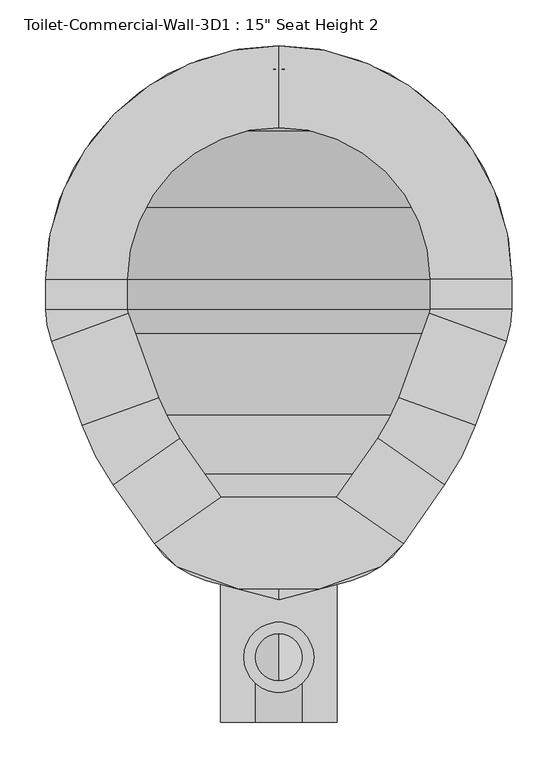
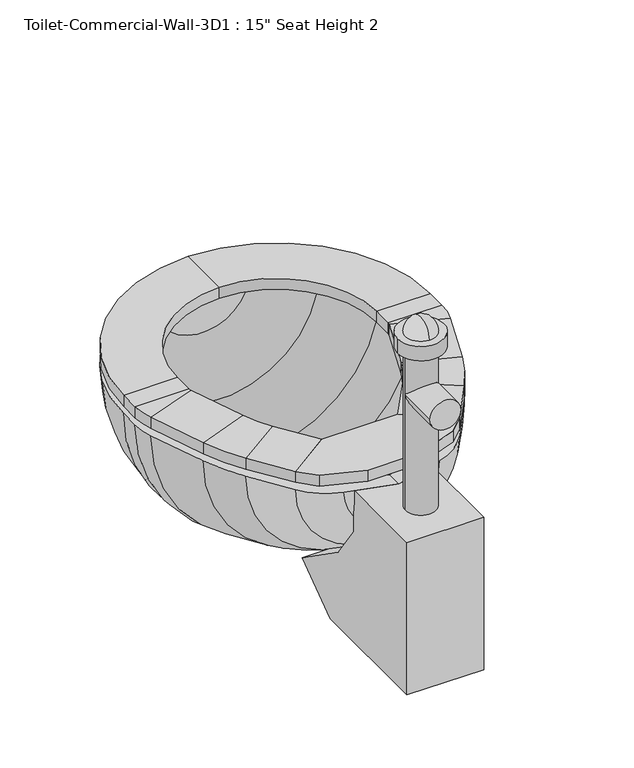
"""IFC4 building model written with IfcOpenShell, lengths in millimetres: flow terminal geometry."""

from ifc_helpers import new_model, si_unit, point, frame, frame_2d, origin, place, context, project, spatial, polyline, circle_curve, ellipse_curve, trimmed, segment, composite_curve, outline, extrude, source, transform, mapped, element, save
from ifc_brep_helpers import plane_surface, cylinder_surface, revolved_surface, advanced_brep


def flow_terminal_c3fc1cf2(model_context):
    return source(origin(), model_context, "Body", "SolidModel", [
        extrude(outline(polyline([(467.7541169, 416.4847495), (540.5767337, 365.4938043), (515.6262519, 340.5433226), (449.563909, 316.4985961), (360.2423986, 316.4985961), (294.1800557, 340.5433226), (269.229574, 365.4938043), (342.0521907, 416.4847495), (467.7541169, 416.4847495)])), frame((0.0, 0.0, 355.6), z_axis=(0.0, 0.0, 1.0), x_axis=(1.0, 0.0, 0.0)), (0.0, 0.0, 1.0), 19.05),
        advanced_brep(
        [(467.7541169, 416.4847495, 355.6), (540.5767337, 365.4938043, 355.6), (540.5767337, 365.4938043, 374.65), (467.7541169, 416.4847495, 374.65), (512.8583992, 480.9003403, 355.6), (585.6810159, 429.9093951, 355.6), (585.6810159, 429.9093951, 374.65), (512.8583992, 480.9003403, 374.65), (619.360053, 494.6062234, 355.6), (535.821379, 525.0118141, 355.6), (619.360053, 494.6062234, 374.65), (535.821379, 525.0118141, 374.65), (569.2372501, 616.8211654, 355.6), (652.7759241, 586.4155747, 355.6), (652.7759241, 586.4155747, 374.65), (569.2372501, 616.8211654, 374.65), (658.9031538, 621.1648212, 355.6), (570.0031538, 621.1648212, 355.6), (658.9031538, 621.1648212, 374.65), (570.0031538, 621.1648212, 374.65), (570.0031538, 654.05, 355.6), (658.9031538, 654.05, 355.6), (658.9031538, 654.05, 374.65), (570.0031538, 654.05, 374.65), (404.9031538, 908.05, 355.6), (404.9031538, 819.15, 355.6), (404.9031538, 908.05, 374.65), (404.9031538, 819.15, 374.65), (150.9031538, 654.05, 355.6), (239.8031538, 654.05, 355.6), (150.9031538, 654.05, 374.65), (239.8031538, 654.05, 374.65), (239.8031538, 621.1648212, 355.6), (150.9031538, 621.1648212, 355.6), (150.9031538, 621.1648212, 374.65), (239.8031538, 621.1648212, 374.65), (157.0303835, 586.4155747, 355.6), (240.5690575, 616.8211654, 355.6), (157.0303835, 586.4155747, 374.65), (240.5690575, 616.8211654, 374.65), (273.9849286, 525.0118141, 355.6), (190.4462546, 494.6062234, 355.6), (190.4462546, 494.6062234, 374.65), (273.9849286, 525.0118141, 374.65), (224.1252917, 429.9093951, 355.6), (296.9479084, 480.9003403, 355.6), (224.1252917, 429.9093951, 374.65), (296.9479084, 480.9003403, 374.65), (342.0521907, 416.4847495, 355.6), (342.0521907, 416.4847495, 374.65), (269.229574, 365.4938043, 374.65), (269.229574, 365.4938043, 355.6)],
        [
            (0, 1),
            (1, 2),
            (2, 3),
            (3, 0),
            (0, 4),
            (4, 5),
            (5, 1),
            (5, 6),
            (6, 2),
            (6, 7),
            (7, 3),
            (7, 4),
            (8, 5, circle_curve(frame((356.8099347, 590.1666514, 355.6), z_axis=(0.0, 0.0, -1.0), x_axis=(0.81915204428899, -0.5735764363510486, 0.0)), 279.4)),
            (4, 9, circle_curve(frame((356.8099347, 590.1666514, 355.6), z_axis=(0.0, 0.0, 1.0), x_axis=(0.81915204428899, -0.5735764363510486, 0.0)), 190.5)),
            (9, 8),
            (10, 6, circle_curve(frame((356.8099347, 590.1666514, 374.65), z_axis=(0.0, 0.0, -1.0), x_axis=(0.81915204428899, -0.5735764363510486, 0.0)), 279.4)),
            (8, 10),
            (11, 7, circle_curve(frame((356.8099347, 590.1666514, 374.65), z_axis=(0.0, 0.0, -1.0), x_axis=(0.81915204428899, -0.5735764363510486, 0.0)), 190.5)),
            (10, 11),
            (11, 9),
            (9, 12),
            (12, 13),
            (13, 8),
            (13, 14),
            (14, 10),
            (14, 15),
            (15, 11),
            (15, 12),
            (16, 13, circle_curve(frame((557.3031538, 621.1648212, 355.6), z_axis=(0.0, 0.0, -1.0), x_axis=(0.9396926207859057, -0.3420201433256761, 0.0)), 101.6)),
            (12, 17, circle_curve(frame((557.3031538, 621.1648212, 355.6), z_axis=(0.0, 0.0, 1.0), x_axis=(0.9396926207859057, -0.3420201433256761, 0.0)), 12.7)),
            (17, 16),
            (18, 14, circle_curve(frame((557.3031538, 621.1648212, 374.65), z_axis=(0.0, 0.0, -1.0), x_axis=(0.9396926207859057, -0.3420201433256761, 0.0)), 101.6)),
            (16, 18),
            (19, 15, circle_curve(frame((557.3031538, 621.1648212, 374.65), z_axis=(0.0, 0.0, -1.0), x_axis=(0.9396926207859057, -0.3420201433256761, 0.0)), 12.7)),
            (18, 19),
            (19, 17),
            (17, 20),
            (20, 21),
            (21, 16),
            (21, 22),
            (22, 18),
            (22, 23),
            (23, 19),
            (23, 20),
            (24, 21, circle_curve(frame((404.9031538, 654.05, 355.6), z_axis=(0.0, 0.0, -1.0), x_axis=(1.0, 0.0, 0.0)), 254.0)),
            (20, 25, circle_curve(frame((404.9031538, 654.05, 355.6), z_axis=(0.0, 0.0, 1.0), x_axis=(1.0, 0.0, 0.0)), 165.1)),
            (25, 24),
            (26, 22, circle_curve(frame((404.9031538, 654.05, 374.65), z_axis=(0.0, 0.0, -1.0), x_axis=(1.0, 0.0, 0.0)), 254.0)),
            (24, 26),
            (27, 23, circle_curve(frame((404.9031538, 654.05, 374.65), z_axis=(0.0, 0.0, -1.0), x_axis=(1.0, 0.0, 0.0)), 165.1)),
            (26, 27),
            (27, 25),
            (28, 24, circle_curve(frame((404.9031538, 654.05, 355.6), z_axis=(0.0, 0.0, -1.0), x_axis=(0.0, 1.0, 0.0)), 254.0)),
            (25, 29, circle_curve(frame((404.9031538, 654.05, 355.6), z_axis=(0.0, 0.0, 1.0), x_axis=(0.0, 1.0, 0.0)), 165.1)),
            (29, 28),
            (30, 26, circle_curve(frame((404.9031538, 654.05, 374.65), z_axis=(0.0, 0.0, -1.0), x_axis=(0.0, 1.0, 0.0)), 254.0)),
            (28, 30),
            (31, 27, circle_curve(frame((404.9031538, 654.05, 374.65), z_axis=(0.0, 0.0, -1.0), x_axis=(0.0, 1.0, 0.0)), 165.1)),
            (30, 31),
            (31, 29),
            (29, 32),
            (32, 33),
            (33, 28),
            (33, 34),
            (34, 30),
            (34, 35),
            (35, 31),
            (35, 32),
            (36, 33, circle_curve(frame((252.5031538, 621.1648212, 355.6), z_axis=(0.0, 0.0, -1.0), x_axis=(-1.0, 0.0, 0.0)), 101.6)),
            (32, 37, circle_curve(frame((252.5031538, 621.1648212, 355.6), z_axis=(0.0, 0.0, 1.0), x_axis=(-1.0, 0.0, 0.0)), 12.7)),
            (37, 36),
            (38, 34, circle_curve(frame((252.5031538, 621.1648212, 374.65), z_axis=(0.0, 0.0, -1.0), x_axis=(-1.0, 0.0, 0.0)), 101.6)),
            (36, 38),
            (39, 35, circle_curve(frame((252.5031538, 621.1648212, 374.65), z_axis=(0.0, 0.0, -1.0), x_axis=(-1.0, 0.0, 0.0)), 12.7)),
            (38, 39),
            (39, 37),
            (37, 40),
            (40, 41),
            (41, 36),
            (41, 42),
            (42, 38),
            (42, 43),
            (43, 39),
            (43, 40),
            (44, 41, circle_curve(frame((452.9963729, 590.1666514, 355.6), z_axis=(0.0, 0.0, -1.0), x_axis=(-0.939692620785909, -0.3420201433256672, 0.0)), 279.4)),
            (40, 45, circle_curve(frame((452.9963729, 590.1666514, 355.6), z_axis=(0.0, 0.0, 1.0), x_axis=(-0.939692620785909, -0.3420201433256672, 0.0)), 190.5)),
            (45, 44),
            (46, 42, circle_curve(frame((452.9963729, 590.1666514, 374.65), z_axis=(0.0, 0.0, -1.0), x_axis=(-0.939692620785909, -0.3420201433256672, 0.0)), 279.4)),
            (44, 46),
            (47, 43, circle_curve(frame((452.9963729, 590.1666514, 374.65), z_axis=(0.0, 0.0, -1.0), x_axis=(-0.939692620785909, -0.3420201433256672, 0.0)), 190.5)),
            (46, 47),
            (47, 45),
            (48, 49),
            (49, 50),
            (50, 51),
            (51, 48),
            (45, 48),
            (51, 44),
            (50, 46),
            (49, 47),
        ],
        [
            plane_surface(frame((540.5767337, 365.4938043, 437.2995365), z_axis=(-0.5735764363510436, -0.8191520442889937, 0.0), x_axis=(0.8191520442889937, -0.5735764363510436, 0.0))),
            plane_surface(frame((467.7541169, 416.4847495, 355.6), z_axis=(0.0, 0.0, -1.0), x_axis=(0.5735764363510443, 0.8191520442889931, 0.0))),
            plane_surface(frame((540.5767337, 365.4938043, 355.6), z_axis=(0.8191520442889935, -0.5735764363510438, 0.0), x_axis=(0.5735764363510438, 0.8191520442889935, 0.0))),
            plane_surface(frame((540.5767337, 365.4938043, 374.65), z_axis=(0.0, 0.0, 1.0), x_axis=(0.5735764363510428, 0.8191520442889941, 0.0))),
            plane_surface(frame((467.7541169, 416.4847495, 374.65), z_axis=(-0.8191520442889935, 0.5735764363510438, 0.0), x_axis=(0.5735764363510438, 0.8191520442889935, 0.0))),
            plane_surface(frame((356.8099347, 590.1666514, 355.6), z_axis=(0.0, 0.0, -1.0), x_axis=(0.81915204428899, -0.5735764363510486, 0.0))),
            cylinder_surface(frame((356.8099347, 590.1666514, 342.9), z_axis=(0.0, 0.0, 1.0), x_axis=(0.81915204428899, -0.5735764363510486, 0.0)), 279.4),
            plane_surface(frame((356.8099347, 590.1666514, 374.65), z_axis=(0.0, 0.0, 1.0), x_axis=(0.81915204428899, -0.5735764363510486, 0.0))),
            revolved_surface(polyline([(512.8583991370526, 480.90034027512525, 374.65), (512.8583991370526, 480.90034027512525, 355.6)]), (356.8099347, 590.1666514, 342.9), (0.0, 0.0, 1.0)),
            plane_surface(frame((535.821379, 525.0118141, 355.6), z_axis=(0.0, 0.0, -1.0000000000000002), x_axis=(0.34202014332565994, 0.9396926207859116, 0.0))),
            plane_surface(frame((619.360053, 494.6062234, 355.6), z_axis=(0.9396926207859115, -0.34202014332566016, 0.0), x_axis=(0.34202014332566016, 0.9396926207859115, 0.0))),
            plane_surface(frame((619.360053, 494.6062234, 374.65), z_axis=(0.0, 0.0, 1.0), x_axis=(0.34202014332566016, 0.9396926207859115, 0.0))),
            plane_surface(frame((535.821379, 525.0118141, 374.65), z_axis=(-0.9396926207859118, 0.34202014332565955, 0.0), x_axis=(0.34202014332565955, 0.9396926207859118, 0.0))),
            plane_surface(frame((557.3031538, 621.1648212, 355.6), z_axis=(0.0, 0.0, -1.0000000000000002), x_axis=(0.9396926207859058, -0.34202014332567615, 0.0))),
            cylinder_surface(frame((557.3031538, 621.1648212, 342.9), z_axis=(0.0, 0.0, 1.0), x_axis=(0.9396926207859057, -0.3420201433256761, 0.0)), 101.6),
            plane_surface(frame((557.3031538, 621.1648212, 374.65), z_axis=(0.0, 0.0, 1.0000000000000002), x_axis=(0.9396926207859058, -0.34202014332567615, 0.0))),
            revolved_surface(polyline([(569.237250083981, 616.8211653797639, 374.65), (569.237250083981, 616.8211653797639, 355.6)]), (557.3031538, 621.1648212, 342.9), (0.0, 0.0, 1.0)),
            plane_surface(frame((570.0031538, 621.1648212, 355.6), z_axis=(0.0, 0.0, -1.0), x_axis=(0.0, 1.0, 0.0))),
            plane_surface(frame((658.9031538, 621.1648212, 355.6), z_axis=(1.0, 0.0, 0.0), x_axis=(0.0, 1.0, 0.0))),
            plane_surface(frame((658.9031538, 621.1648212, 374.65), z_axis=(0.0, 0.0, 1.0), x_axis=(0.0, 1.0, 0.0))),
            plane_surface(frame((570.0031538, 621.1648212, 374.65), z_axis=(-1.0, 0.0, 0.0), x_axis=(0.0, 1.0, 0.0))),
            plane_surface(frame((404.9031538, 654.05, 355.6), z_axis=(0.0, 0.0, -1.0), x_axis=(1.0, 0.0, 0.0))),
            cylinder_surface(frame((404.9031538, 654.05, 342.9), z_axis=(0.0, 0.0, 1.0), x_axis=(1.0, 0.0, 0.0)), 254.0),
            plane_surface(frame((404.9031538, 654.05, 374.65), z_axis=(0.0, 0.0, 1.0), x_axis=(1.0, 0.0, 0.0))),
            revolved_surface(polyline([(570.0031538, 654.05, 374.65), (570.0031538, 654.05, 355.6)]), (404.9031538, 654.05, 342.9), (0.0, 0.0, 1.0)),
            plane_surface(frame((404.9031538, 654.05, 355.6), z_axis=(0.0, 0.0, -1.0), x_axis=(0.0, 1.0, 0.0))),
            cylinder_surface(frame((404.9031538, 654.05, 342.9), z_axis=(0.0, 0.0, 1.0), x_axis=(0.0, 1.0, 0.0)), 254.0),
            plane_surface(frame((404.9031538, 654.05, 374.65), z_axis=(0.0, 0.0, 1.0), x_axis=(0.0, 1.0, 0.0))),
            revolved_surface(polyline([(404.9031538, 819.15, 374.65), (404.9031538, 819.15, 355.6)]), (404.9031538, 654.05, 342.9), (0.0, 0.0, 1.0)),
            plane_surface(frame((239.8031538, 654.05, 355.6), z_axis=(0.0, 0.0, -1.0), x_axis=(0.0, -1.0, 0.0))),
            plane_surface(frame((150.9031538, 654.05, 355.6), z_axis=(-1.0, 0.0, 0.0), x_axis=(0.0, -1.0, 0.0))),
            plane_surface(frame((150.9031538, 654.05, 374.65), z_axis=(0.0, 0.0, 1.0), x_axis=(0.0, -1.0, 0.0))),
            plane_surface(frame((239.8031538, 654.05, 374.65), z_axis=(1.0, 0.0, 0.0), x_axis=(0.0, -1.0, 0.0))),
            plane_surface(frame((252.5031538, 621.1648212, 355.6), z_axis=(0.0, 0.0, -1.0), x_axis=(-1.0, 0.0, 0.0))),
            cylinder_surface(frame((252.5031538, 621.1648212, 342.9), z_axis=(0.0, 0.0, 1.0), x_axis=(-1.0, 0.0, 0.0)), 101.6),
            plane_surface(frame((252.5031538, 621.1648212, 374.65), z_axis=(0.0, 0.0, 1.0), x_axis=(-1.0, 0.0, 0.0))),
            revolved_surface(polyline([(239.80315380000002, 621.1648212, 374.65), (239.80315380000002, 621.1648212, 355.6)]), (252.5031538, 621.1648212, 342.9), (0.0, 0.0, 1.0)),
            plane_surface(frame((240.5690575, 616.8211654, 355.6), z_axis=(0.0, 0.0, -1.0), x_axis=(0.342020143325658, -0.9396926207859123, 0.0))),
            plane_surface(frame((157.0303835, 586.4155747, 355.6), z_axis=(-0.9396926207859123, -0.3420201433256579, 0.0), x_axis=(0.3420201433256579, -0.9396926207859123, 0.0))),
            plane_surface(frame((157.0303835, 586.4155747, 374.65), z_axis=(0.0, 0.0, 1.0), x_axis=(0.3420201433256579, -0.9396926207859123, 0.0))),
            plane_surface(frame((240.5690575, 616.8211654, 374.65), z_axis=(0.9396926207859123, 0.342020143325658, 0.0), x_axis=(0.342020143325658, -0.9396926207859123, 0.0))),
            plane_surface(frame((452.9963729, 590.1666514, 355.6), z_axis=(0.0, 0.0, -1.0), x_axis=(-0.939692620785909, -0.3420201433256672, 0.0))),
            cylinder_surface(frame((452.9963729, 590.1666514, 342.9), z_axis=(0.0, 0.0, 1.0), x_axis=(-0.939692620785909, -0.3420201433256672, 0.0)), 279.4),
            plane_surface(frame((452.9963729, 590.1666514, 374.65), z_axis=(0.0, 0.0, 1.0), x_axis=(-0.939692620785909, -0.3420201433256672, 0.0))),
            revolved_surface(polyline([(273.98492864028435, 525.0118140964604, 374.65), (273.98492864028435, 525.0118140964604, 355.6)]), (452.9963729, 590.1666514, 342.9), (0.0, 0.0, 1.0)),
            plane_surface(frame((269.229574, 365.4938043, 248.5004635), z_axis=(0.5735764363510469, -0.8191520442889914, 0.0), x_axis=(0.8191520442889914, 0.5735764363510469, 0.0))),
            plane_surface(frame((296.9479084, 480.9003403, 355.6), z_axis=(0.0, 0.0, -1.0), x_axis=(0.5735764363510468, -0.8191520442889914, 0.0))),
            plane_surface(frame((224.1252917, 429.9093951, 355.6), z_axis=(-0.8191520442889909, -0.5735764363510474, 0.0), x_axis=(0.5735764363510474, -0.8191520442889909, 0.0))),
            plane_surface(frame((224.1252917, 429.9093951, 374.65), z_axis=(0.0, 0.0, 1.0000000000000002), x_axis=(0.5735764363510467, -0.8191520442889915, 0.0))),
            plane_surface(frame((296.9479084, 480.9003403, 374.65), z_axis=(0.8191520442889916, 0.5735764363510465, 0.0), x_axis=(0.5735764363510465, -0.8191520442889916, 0.0))),
        ],
        [
            (0, [[1, 2, 3, 4]]),
            (1, [[-1, 5, 6, 7]]),
            (2, [[-2, -7, 8, 9]]),
            (3, [[-3, -9, 10, 11]]),
            (4, [[-4, -11, 12, -5]]),
            (5, [[13, -6, 14, 15]]),
            (6, [[16, -8, -13, 17]]),
            (7, [[18, -10, -16, 19]]),
            (8, [[-14, -12, -18, 20]]),
            (9, [[-15, 21, 22, 23]]),
            (10, [[-17, -23, 24, 25]]),
            (11, [[-19, -25, 26, 27]]),
            (12, [[-20, -27, 28, -21]]),
            (13, [[29, -22, 30, 31]]),
            (14, [[32, -24, -29, 33]]),
            (15, [[34, -26, -32, 35]]),
            (16, [[-30, -28, -34, 36]]),
            (17, [[-31, 37, 38, 39]]),
            (18, [[-33, -39, 40, 41]]),
            (19, [[-35, -41, 42, 43]]),
            (20, [[-36, -43, 44, -37]]),
            (21, [[45, -38, 46, 47]]),
            (22, [[48, -40, -45, 49]]),
            (23, [[50, -42, -48, 51]]),
            (24, [[-46, -44, -50, 52]]),
            (25, [[53, -47, 54, 55]]),
            (26, [[56, -49, -53, 57]]),
            (27, [[58, -51, -56, 59]]),
            (28, [[-54, -52, -58, 60]]),
            (29, [[-55, 61, 62, 63]]),
            (30, [[-57, -63, 64, 65]]),
            (31, [[-59, -65, 66, 67]]),
            (32, [[-60, -67, 68, -61]]),
            (33, [[69, -62, 70, 71]]),
            (34, [[72, -64, -69, 73]]),
            (35, [[74, -66, -72, 75]]),
            (36, [[-70, -68, -74, 76]]),
            (37, [[-71, 77, 78, 79]]),
            (38, [[-73, -79, 80, 81]]),
            (39, [[-75, -81, 82, 83]]),
            (40, [[-76, -83, 84, -77]]),
            (41, [[85, -78, 86, 87]]),
            (42, [[88, -80, -85, 89]]),
            (43, [[90, -82, -88, 91]]),
            (44, [[-86, -84, -90, 92]]),
            (45, [[93, 94, 95, 96]]),
            (46, [[-87, 97, -96, 98]]),
            (47, [[-89, -98, -95, 99]]),
            (48, [[-91, -99, -94, 100]]),
            (49, [[-92, -100, -93, -97]]),
        ],
    ),
        advanced_brep(
        [(491.7762702, 892.7319257, 342.9), (404.9031538, 908.05, 342.9), (404.9031538, 882.65, 342.9), (483.0889586, 868.8637331, 342.9), (566.547764, 815.6946102, 342.9), (619.7168869, 732.2358048, 342.9), (633.5031538, 654.05, 342.9), (633.5031538, 621.1648212, 342.9), (628.9077315, 595.1028863, 342.9), (596.6355667, 506.4358422, 342.9), (562.9565296, 441.7390139, 342.9), (525.0728964, 387.6355786, 342.9), (468.1430637, 347.7728806, 342.9), (404.9031538, 330.8277978, 342.9), (404.9031538, 304.5317829, 342.9), (483.6469009, 325.6311063, 342.9), (540.5767337, 365.4938043, 342.9), (585.6810159, 429.9093951, 342.9), (619.360053, 494.6062234, 342.9), (652.7759241, 586.4155747, 342.9), (658.9031538, 621.1648212, 342.9), (658.9031538, 654.05, 342.9), (643.5850795, 740.9231164, 342.9), (584.5082762, 833.6551224, 342.9), (318.0300374, 892.7319257, 342.9), (225.2980314, 833.6551224, 342.9), (166.2212281, 740.9231164, 342.9), (150.9031538, 654.05, 342.9), (150.9031538, 621.1648212, 342.9), (157.0303835, 586.4155747, 342.9), (190.4462546, 494.6062234, 342.9), (224.1252917, 429.9093951, 342.9), (269.229574, 365.4938043, 342.9), (326.1594067, 325.6311063, 342.9), (341.663244, 347.7728806, 342.9), (284.7334112, 387.6355786, 342.9), (246.849778, 441.7390139, 342.9), (213.1707409, 506.4358422, 342.9), (180.8985761, 595.1028863, 342.9), (176.3031538, 621.1648212, 342.9), (176.3031538, 654.05, 342.9), (190.0894207, 732.2358048, 342.9), (243.2585436, 815.6946102, 342.9), (326.7173491, 868.8637331, 342.9)],
        [
            (0, 1, circle_curve(frame((404.9031538, 654.05, 342.9), z_axis=(0.0, 0.0, 1.0), x_axis=(1.0, 0.0, 0.0)), 254.0)),
            (1, 2),
            (2, 3, circle_curve(frame((404.9031538, 654.05, 342.9), z_axis=(0.0, 0.0, -1.0), x_axis=(1.0, 0.0, 0.0)), 228.6)),
            (3, 4, circle_curve(frame((404.9031538, 654.05, 342.9), z_axis=(0.0, 0.0, -1.0), x_axis=(1.0, 0.0, 0.0)), 228.6)),
            (4, 5, circle_curve(frame((404.9031538, 654.05, 342.9), z_axis=(0.0, 0.0, -1.0), x_axis=(1.0, 0.0, 0.0)), 228.6)),
            (5, 6, circle_curve(frame((404.9031538, 654.05, 342.9), z_axis=(0.0, 0.0, -1.0), x_axis=(1.0, 0.0, 0.0)), 228.6)),
            (6, 7),
            (7, 8, circle_curve(frame((557.3031538, 621.1648212, 342.9), z_axis=(0.0, 0.0, -1.0), x_axis=(1.0, 0.0, 0.0)), 76.2)),
            (8, 9),
            (9, 10, circle_curve(frame((334.0854485, 601.9962703, 342.9), z_axis=(0.0, 0.0, -1.0), x_axis=(1.0, 0.0, 0.0)), 279.4)),
            (10, 11),
            (11, 12, circle_curve(frame((441.8470487, 445.9109446, 342.9), z_axis=(0.0, 0.0, -1.0), x_axis=(1.0, 0.0, 0.0)), 101.6)),
            (12, 13),
            (13, 14),
            (14, 15),
            (15, 16, circle_curve(frame((457.350886, 423.7691703, 342.9), z_axis=(0.0, 0.0, 1.0), x_axis=(1.0, 0.0, 0.0)), 101.6)),
            (16, 17),
            (17, 18, circle_curve(frame((356.8099347, 590.1666514, 342.9), z_axis=(0.0, 0.0, 1.0), x_axis=(1.0, 0.0, 0.0)), 279.4)),
            (18, 19),
            (19, 20, circle_curve(frame((557.3031538, 621.1648212, 342.9), z_axis=(0.0, 0.0, 1.0), x_axis=(1.0, 0.0, 0.0)), 101.6)),
            (20, 21),
            (21, 22, circle_curve(frame((404.9031538, 654.05, 342.9), z_axis=(0.0, 0.0, 1.0), x_axis=(1.0, 0.0, 0.0)), 254.0)),
            (22, 23, circle_curve(frame((404.9031538, 654.05, 342.9), z_axis=(0.0, 0.0, 1.0), x_axis=(1.0, 0.0, 0.0)), 254.0)),
            (23, 0, circle_curve(frame((404.9031538, 654.05, 342.9), z_axis=(0.0, 0.0, 1.0), x_axis=(1.0, 0.0, 0.0)), 254.0)),
            (24, 25, circle_curve(frame((404.9031538, 654.05, 342.9), z_axis=(0.0, 0.0, 1.0), x_axis=(-1.0, 0.0, 0.0)), 254.0)),
            (25, 26, circle_curve(frame((404.9031538, 654.05, 342.9), z_axis=(0.0, 0.0, 1.0), x_axis=(-1.0, 0.0, 0.0)), 254.0)),
            (26, 27, circle_curve(frame((404.9031538, 654.05, 342.9), z_axis=(0.0, 0.0, 1.0), x_axis=(-1.0, 0.0, 0.0)), 254.0)),
            (27, 28),
            (28, 29, circle_curve(frame((252.5031538, 621.1648212, 342.9), z_axis=(0.0, 0.0, 1.0), x_axis=(-1.0, 0.0, 0.0)), 101.6)),
            (29, 30),
            (30, 31, circle_curve(frame((452.9963729, 590.1666514, 342.9), z_axis=(0.0, 0.0, 1.0), x_axis=(-1.0, 0.0, 0.0)), 279.4)),
            (31, 32),
            (32, 33, circle_curve(frame((352.4554217, 423.7691703, 342.9), z_axis=(0.0, 0.0, 1.0), x_axis=(-1.0, 0.0, 0.0)), 101.6)),
            (33, 14),
            (13, 34),
            (34, 35, circle_curve(frame((367.9592589, 445.9109446, 342.9), z_axis=(0.0, 0.0, -1.0), x_axis=(-1.0, 0.0, 0.0)), 101.6)),
            (35, 36),
            (36, 37, circle_curve(frame((475.7208592, 601.9962703, 342.9), z_axis=(0.0, 0.0, -1.0), x_axis=(-1.0, 0.0, 0.0)), 279.4)),
            (37, 38),
            (38, 39, circle_curve(frame((252.5031538, 621.1648212, 342.9), z_axis=(0.0, 0.0, -1.0), x_axis=(-1.0, 0.0, 0.0)), 76.2)),
            (39, 40),
            (40, 41, circle_curve(frame((404.9031538, 654.05, 342.9), z_axis=(0.0, 0.0, -1.0), x_axis=(-1.0, 0.0, 0.0)), 228.6)),
            (41, 42, circle_curve(frame((404.9031538, 654.05, 342.9), z_axis=(0.0, 0.0, -1.0), x_axis=(-1.0, 0.0, 0.0)), 228.6)),
            (42, 43, circle_curve(frame((404.9031538, 654.05, 342.9), z_axis=(0.0, 0.0, -1.0), x_axis=(-1.0, 0.0, 0.0)), 228.6)),
            (43, 2, circle_curve(frame((404.9031538, 654.05, 342.9), z_axis=(0.0, 0.0, -1.0), x_axis=(-1.0, 0.0, 0.0)), 228.6)),
            (1, 24, circle_curve(frame((404.9031538, 654.05, 342.9), z_axis=(0.0, 0.0, 1.0), x_axis=(-1.0, 0.0, 0.0)), 254.0)),
            (0, 24, circle_curve(frame((404.9031538, 892.7319257, 342.9), z_axis=(0.0, 1.0, 0.0), x_axis=(1.0, 0.0, 0.0)), 86.8731164)),
            (43, 3, circle_curve(frame((404.9031538, 868.8637331, 342.9), z_axis=(0.0, -1.0, 0.0), x_axis=(1.0, 0.0, 0.0)), 78.1858048)),
            (42, 4, circle_curve(frame((404.9031538, 815.6946102, 342.9), z_axis=(0.0, -1.0, 0.0), x_axis=(1.0, 0.0, 0.0)), 161.6446102)),
            (41, 5, circle_curve(frame((404.9031538, 732.2358048, 342.9), z_axis=(0.0, -1.0, 0.0), x_axis=(1.0, 0.0, 0.0)), 214.8137331)),
            (40, 6, circle_curve(frame((404.9031538, 654.05, 342.9), z_axis=(0.0, -1.0, 0.0), x_axis=(1.0, 0.0, 0.0)), 228.6)),
            (39, 7, circle_curve(frame((404.9031538, 621.1648212, 342.9), z_axis=(0.0, -1.0, 0.0), x_axis=(1.0, 0.0, 0.0)), 228.6)),
            (38, 8, circle_curve(frame((404.9031538, 595.1028863, 342.9), z_axis=(0.0, -1.0, 0.0), x_axis=(1.0, 0.0, 0.0)), 224.0045777)),
            (37, 9, circle_curve(frame((404.9031538, 506.4358422, 342.9), z_axis=(0.0, -1.0, 0.0), x_axis=(1.0, 0.0, 0.0)), 191.7324129)),
            (36, 10, circle_curve(frame((404.9031538, 441.7390139, 342.9), z_axis=(0.0, -1.0, 0.0), x_axis=(1.0, 0.0, 0.0)), 158.0533758)),
            (35, 11, circle_curve(frame((404.9031538, 387.6355786, 342.9), z_axis=(0.0, -1.0, 0.0), x_axis=(1.0, 0.0, 0.0)), 120.1697426)),
            (34, 12, circle_curve(frame((404.9031538, 347.7728806, 342.9), z_axis=(0.0, -1.0, 0.0), x_axis=(1.0, 0.0, 0.0)), 63.2399099)),
            (33, 15, circle_curve(frame((404.9031538, 325.6311063, 342.9), z_axis=(0.0, -1.0, 0.0), x_axis=(1.0, 0.0, 0.0)), 78.7437471)),
            (32, 16, circle_curve(frame((404.9031538, 365.4938043, 342.9), z_axis=(0.0, -1.0, 0.0), x_axis=(1.0, 0.0, 0.0)), 135.6735798)),
            (31, 17, circle_curve(frame((404.9031538, 429.9093951, 342.9), z_axis=(0.0, -1.0, 0.0), x_axis=(1.0, 0.0, 0.0)), 180.7778621)),
            (30, 18, circle_curve(frame((404.9031538, 494.6062234, 342.9), z_axis=(0.0, -1.0, 0.0), x_axis=(1.0, 0.0, 0.0)), 214.4568992)),
            (29, 19, circle_curve(frame((404.9031538, 586.4155747, 342.9), z_axis=(0.0, -1.0, 0.0), x_axis=(1.0, 0.0, 0.0)), 247.8727703)),
            (28, 20, circle_curve(frame((404.9031538, 621.1648212, 342.9), z_axis=(0.0, -1.0, 0.0), x_axis=(1.0, 0.0, 0.0)), 254.0)),
            (27, 21, circle_curve(frame((404.9031538, 654.05, 342.9), z_axis=(0.0, -1.0, 0.0), x_axis=(1.0, 0.0, 0.0)), 254.0)),
            (26, 22, circle_curve(frame((404.9031538, 740.9231164, 342.9), z_axis=(0.0, -1.0, 0.0), x_axis=(1.0, 0.0, 0.0)), 238.6819257)),
            (25, 23, circle_curve(frame((404.9031538, 833.6551224, 342.9), z_axis=(0.0, -1.0, 0.0), x_axis=(1.0, 0.0, 0.0)), 179.6051224)),
        ],
        [
            plane_surface(frame((404.9031538, 1013.2602448, 342.9), z_axis=(0.0, 0.0, 1.0), x_axis=(1.0, 0.0, 0.0))),
            plane_surface(frame((404.9031538, 1013.2602448, 342.9), z_axis=(0.0, 0.0, 1.0), x_axis=(-1.0, 0.0, 0.0))),
            revolved_surface(trimmed(ellipse_curve(frame((404.9031538, 654.05, 342.9), z_axis=(0.0, 0.0, 1.0), x_axis=(1.0, 0.0, 0.0)), 254.0, 254.0), [point((491.7762702, 892.7319257, 342.9))], [point((404.9031538, 908.05, 342.9))], True, "CARTESIAN"), (404.9031538, 1013.2602448, 342.9), (0.0, 1.0, 0.0)),
            revolved_surface(trimmed(ellipse_curve(frame((404.9031538, 654.05, 342.9), z_axis=(0.0, 0.0, -1.0), x_axis=(1.0, 0.0, 0.0)), 228.6, 228.6), [point((404.9031538, 882.65, 342.9))], [point((483.0889586, 868.8637331, 342.9))], True, "CARTESIAN"), (404.9031538, 1013.2602448, 342.9), (0.0, 1.0, 0.0)),
            revolved_surface(trimmed(ellipse_curve(frame((404.9031538, 654.05, 342.9), z_axis=(0.0, 0.0, -1.0), x_axis=(1.0, 0.0, 0.0)), 228.6, 228.6), [point((483.0889586, 868.8637331, 342.9))], [point((566.547764, 815.6946102, 342.9))], True, "CARTESIAN"), (404.9031538, 1013.2602448, 342.9), (0.0, 1.0, 0.0)),
            revolved_surface(trimmed(ellipse_curve(frame((404.9031538, 654.05, 342.9), z_axis=(0.0, 0.0, -1.0), x_axis=(1.0, 0.0, 0.0)), 228.6, 228.6), [point((566.547764, 815.6946102, 342.9))], [point((619.7168869, 732.2358048, 342.9))], True, "CARTESIAN"), (404.9031538, 1013.2602448, 342.9), (0.0, 1.0, 0.0)),
            revolved_surface(trimmed(ellipse_curve(frame((404.9031538, 654.05, 342.9), z_axis=(0.0, 0.0, -1.0), x_axis=(1.0, 0.0, 0.0)), 228.6, 228.6), [point((619.7168869, 732.2358048, 342.9))], [point((633.5031538, 654.05, 342.9))], True, "CARTESIAN"), (404.9031538, 1013.2602448, 342.9), (0.0, 1.0, 0.0)),
            revolved_surface(polyline([(633.5031538, 654.05, 342.9), (633.5031538, 621.1648212, 342.9)]), (404.9031538, 1013.2602448, 342.9), (0.0, 1.0, 0.0)),
            revolved_surface(trimmed(ellipse_curve(frame((557.3031538, 621.1648212, 342.9), z_axis=(0.0, 0.0, -1.0), x_axis=(1.0, 0.0, 0.0)), 76.2, 76.2), [point((633.5031538, 621.1648212, 342.9))], [point((628.9077315, 595.1028863, 342.9))], True, "CARTESIAN"), (404.9031538, 1013.2602448, 342.9), (0.0, 1.0, 0.0)),
            revolved_surface(polyline([(628.9077315, 595.1028863, 342.9), (596.6355667, 506.4358422, 342.9)]), (404.9031538, 1013.2602448, 342.9), (0.0, 1.0, 0.0)),
            revolved_surface(trimmed(ellipse_curve(frame((334.0854485, 601.9962703, 342.9), z_axis=(0.0, 0.0, -1.0), x_axis=(1.0, 0.0, 0.0)), 279.4, 279.4), [point((596.6355667, 506.4358422, 342.9))], [point((562.9565296, 441.7390139, 342.9))], True, "CARTESIAN"), (404.9031538, 1013.2602448, 342.9), (0.0, 1.0, 0.0)),
            revolved_surface(polyline([(562.9565296, 441.7390139, 342.9), (525.0728964, 387.6355786, 342.9)]), (404.9031538, 1013.2602448, 342.9), (0.0, 1.0, 0.0)),
            revolved_surface(trimmed(ellipse_curve(frame((441.8470487, 445.9109446, 342.9), z_axis=(0.0, 0.0, -1.0), x_axis=(1.0, 0.0, 0.0)), 101.6, 101.6), [point((525.0728964, 387.6355786, 342.9))], [point((468.1430637, 347.7728806, 342.9))], True, "CARTESIAN"), (404.9031538, 1013.2602448, 342.9), (0.0, 1.0, 0.0)),
            revolved_surface(polyline([(468.1430637, 347.7728806, 342.9), (404.9031538, 330.8277978, 342.9)]), (404.9031538, 1013.2602448, 342.9), (0.0, 1.0, 0.0)),
            revolved_surface(polyline([(404.9031538, 304.5317829, 342.9), (483.6469009, 325.6311063, 342.9)]), (404.9031538, 1013.2602448, 342.9), (0.0, 1.0, 0.0)),
            revolved_surface(trimmed(ellipse_curve(frame((457.350886, 423.7691703, 342.9), z_axis=(0.0, 0.0, 1.0), x_axis=(1.0, 0.0, 0.0)), 101.6, 101.6), [point((483.6469009, 325.6311063, 342.9))], [point((540.5767337, 365.4938043, 342.9))], True, "CARTESIAN"), (404.9031538, 1013.2602448, 342.9), (0.0, 1.0, 0.0)),
            revolved_surface(polyline([(540.5767337, 365.4938043, 342.9), (585.6810159, 429.9093951, 342.9)]), (404.9031538, 1013.2602448, 342.9), (0.0, 1.0, 0.0)),
            revolved_surface(trimmed(ellipse_curve(frame((356.8099347, 590.1666514, 342.9), z_axis=(0.0, 0.0, 1.0), x_axis=(1.0, 0.0, 0.0)), 279.4, 279.4), [point((585.6810159, 429.9093951, 342.9))], [point((619.360053, 494.6062234, 342.9))], True, "CARTESIAN"), (404.9031538, 1013.2602448, 342.9), (0.0, 1.0, 0.0)),
            revolved_surface(polyline([(619.360053, 494.6062234, 342.9), (652.7759241, 586.4155747, 342.9)]), (404.9031538, 1013.2602448, 342.9), (0.0, 1.0, 0.0)),
            revolved_surface(trimmed(ellipse_curve(frame((557.3031538, 621.1648212, 342.9), z_axis=(0.0, 0.0, 1.0), x_axis=(1.0, 0.0, 0.0)), 101.6, 101.6), [point((652.7759241, 586.4155747, 342.9))], [point((658.9031538, 621.1648212, 342.9))], True, "CARTESIAN"), (404.9031538, 1013.2602448, 342.9), (0.0, 1.0, 0.0)),
            cylinder_surface(frame((404.9031538, 1013.2602448, 342.9), z_axis=(0.0, 1.0, 0.0), x_axis=(1.0, 0.0, 0.0)), 254.0),
            revolved_surface(trimmed(ellipse_curve(frame((404.9031538, 654.05, 342.9), z_axis=(0.0, 0.0, 1.0), x_axis=(1.0, 0.0, 0.0)), 254.0, 254.0), [point((658.9031538, 654.05, 342.9))], [point((643.5850795, 740.9231164, 342.9))], True, "CARTESIAN"), (404.9031538, 1013.2602448, 342.9), (0.0, 1.0, 0.0)),
            revolved_surface(trimmed(ellipse_curve(frame((404.9031538, 654.05, 342.9), z_axis=(0.0, 0.0, 1.0), x_axis=(1.0, 0.0, 0.0)), 254.0, 254.0), [point((643.5850795, 740.9231164, 342.9))], [point((584.5082762, 833.6551224, 342.9))], True, "CARTESIAN"), (404.9031538, 1013.2602448, 342.9), (0.0, 1.0, 0.0)),
            revolved_surface(trimmed(ellipse_curve(frame((404.9031538, 654.05, 342.9), z_axis=(0.0, 0.0, 1.0), x_axis=(1.0, 0.0, 0.0)), 254.0, 254.0), [point((584.5082762, 833.6551224, 342.9))], [point((491.7762702, 892.7319257, 342.9))], True, "CARTESIAN"), (404.9031538, 1013.2602448, 342.9), (0.0, 1.0, 0.0)),
        ],
        [
            (0, [[1, 2, 3, 4, 5, 6, 7, 8, 9, 10, 11, 12, 13, 14, 15, 16, 17, 18, 19, 20, 21, 22, 23, 24]]),
            (1, [[25, 26, 27, 28, 29, 30, 31, 32, 33, 34, -14, 35, 36, 37, 38, 39, 40, 41, 42, 43, 44, 45, -2, 46]]),
            (2, [[-1, 47, -46]]),
            (3, [[48, -3, -45]]),
            (4, [[49, -4, -48, -44]]),
            (5, [[50, -5, -49, -43]]),
            (6, [[51, -6, -50, -42]]),
            (7, [[52, -7, -51, -41]]),
            (8, [[53, -8, -52, -40]]),
            (9, [[54, -9, -53, -39]]),
            (10, [[55, -10, -54, -38]]),
            (11, [[56, -11, -55, -37]]),
            (12, [[57, -12, -56, -36]]),
            (13, [[-13, -57, -35]]),
            (14, [[58, -15, -34]]),
            (15, [[59, -16, -58, -33]]),
            (16, [[60, -17, -59, -32]]),
            (17, [[61, -18, -60, -31]]),
            (18, [[62, -19, -61, -30]]),
            (19, [[63, -20, -62, -29]]),
            (20, [[64, -21, -63, -28]]),
            (21, [[65, -22, -64, -27]]),
            (22, [[66, -23, -65, -26]]),
            (23, [[-47, -24, -66, -25]]),
        ],
    ),
        advanced_brep(
        [(404.9031538, 216.3676912, 647.7), (404.9031538, 267.6028563, 647.7), (404.9031538, 241.9852737, 673.3175826), (404.9031538, 241.9852737, 647.7)],
        [
            (0, 1, circle_curve(frame((404.9031538, 241.9852737, 647.7), z_axis=(0.0, 0.0, 1.0), x_axis=(0.0, 1.0, 0.0)), 25.6175826)),
            (1, 2, circle_curve(frame((404.9031538, 241.9852737, 647.7), z_axis=(1.0, 0.0, 0.0), x_axis=(0.0, -1.0, 0.0)), 25.6175826)),
            (2, 0, circle_curve(frame((404.9031538, 241.9852737, 647.7), z_axis=(1.0, 0.0, 0.0), x_axis=(0.0, 1.0, 0.0)), 25.6175826)),
            (1, 0, circle_curve(frame((404.9031538, 241.9852737, 647.7), z_axis=(0.0, 0.0, 1.0), x_axis=(0.0, 1.0, 0.0)), 25.6175826)),
            (3, 1),
            (0, 3),
        ],
        [
            revolved_surface(trimmed(ellipse_curve(frame((404.9031538, 241.9852737, 647.7), z_axis=(-1.0, 0.0, 0.0), x_axis=(0.0, -1.0, 0.0)), 25.6175826, 25.6175826), [point((404.9031538, 241.9852737, 673.3175826))], [point((404.9031538, 267.6028563, 647.7))], True, "CARTESIAN"), (404.9031538, 241.9852737, 712.3277273), (0.0, 0.0, -1.0)),
            plane_surface(frame((404.9031538, 241.9852737, 647.7), z_axis=(0.0, 0.0, -1.0), x_axis=(0.0, 1.0, 0.0))),
        ],
        [
            (0, [[1, 2, 3]]),
            (0, [[4, -3, -2]]),
            (1, [[5, -1, 6]]),
            (1, [[-6, -4, -5]]),
        ],
    ),
        extrude(outline(composite_curve([segment(trimmed(circle_curve(frame_2d((404.9031538, 241.9852737)), 38.1), [point((366.8031538, 241.9852737))], [point((443.0031538, 241.9852737))], False, "CARTESIAN"), True, "CONTINUOUS"), segment(trimmed(circle_curve(frame_2d((404.9031538, 241.9852737)), 38.1), [point((443.0031538, 241.9852737))], [point((366.8031538, 241.9852737))], False, "CARTESIAN"), True, "CONTINUOUS")], self_intersect=False)), frame((0.0, 0.0, 622.3), z_axis=(0.0, 0.0, 1.0), x_axis=(1.0, 0.0, 0.0)), (0.0, 0.0, 1.0), 25.4),
        extrude(outline(composite_curve([segment(trimmed(circle_curve(frame_2d((544.2113641, 404.9031538)), 25.4), [point((544.2113641, 379.5031538))], [point((544.2113641, 430.3031538))], False, "CARTESIAN"), True, "CONTINUOUS"), segment(trimmed(circle_curve(frame_2d((544.2113641, 404.9031538)), 25.4), [point((544.2113641, 430.3031538))], [point((544.2113641, 379.5031538))], False, "CARTESIAN"), True, "CONTINUOUS")], self_intersect=False)), frame((0.0, 171.45, 0.0), z_axis=(0.0, 1.0, 0.0), x_axis=(0.0, 0.0, 1.0)), (0.0, 0.0, 1.0), 70.64375),
        extrude(outline(polyline([(324.2537941, 342.9), (324.2537941, 269.296452), (367.9603185, 206.8770663), (471.9926282, 134.0328588), (391.4954017, 76.2), (171.45, 76.2), (171.45, 342.9), (324.2537941, 342.9)])), frame((341.4031538, 0.0, 0.0), z_axis=(1.0, 0.0, 0.0), x_axis=(0.0, 1.0, 0.0)), (0.0, 0.0, 1.0), 127.0),
        extrude(outline(composite_curve([segment(trimmed(circle_curve(frame_2d((404.9031538, 241.9852737)), 25.4), [point((379.5031538, 241.9852737))], [point((430.3031538, 241.9852737))], False, "CARTESIAN"), True, "CONTINUOUS"), segment(trimmed(circle_curve(frame_2d((404.9031538, 241.9852737)), 25.4), [point((430.3031538, 241.9852737))], [point((379.5031538, 241.9852737))], False, "CARTESIAN"), True, "CONTINUOUS")], self_intersect=False)), frame((0.0, 0.0, 342.9), z_axis=(0.0, 0.0, 1.0), x_axis=(1.0, 0.0, 0.0)), (0.0, 0.0, 1.0), 279.4),
    ])


if __name__ == "__main__":
    model = new_model("IFC4")
    model_context = context("Model", 3, world=origin())
    ifc_project = project(units=[si_unit("LENGTHUNIT", "METRE", prefix="MILLI")], contexts=[model_context])
    site = spatial("IfcSite", under=ifc_project)
    building = spatial("IfcBuilding", under=site)
    placement = place(None, origin())
    flow_terminal_shape = flow_terminal_c3fc1cf2(model_context)
    element("IfcFlowTerminal", 1, ObjectType="Toilet-Commercial-Wall-3D1 : 15\" Seat Height 2", at=placement, inside=building, context=model_context, shape_type="MappedRepresentation", body=[
        mapped(flow_terminal_shape, transform((0.0, 0.0, 0.0), x_axis=(1.0, 0.0, 0.0), y_axis=(0.0, 1.0, 0.0), z_axis=(0.0, 0.0, 1.0))),
    ])
    save(model, "model.ifc")
